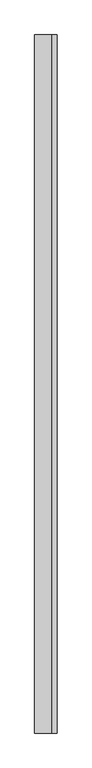
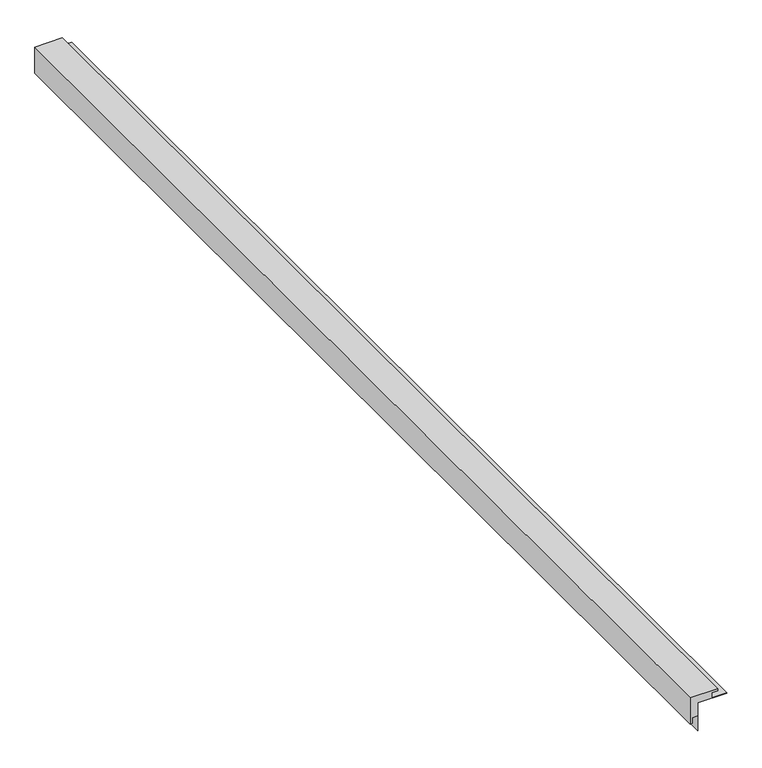
"""IFC4 building model written with IfcOpenShell, lengths in millimetres: proxy geometry."""

from ifc_helpers import new_model, si_unit, frame, origin, place, context, project, spatial, polyline, outline, extrude, source, transform, mapped, element, save


def generic_models_f4d182bd(model_context):
    return source(origin(), model_context, "Body", "SweptSolid", [
        extrude(outline(polyline([(1.2053492, 44.45), (19.05, 44.45), (19.05, 63.5), (25.4, 63.5), (25.4, -25.4), (-63.5, -25.4), (-63.5, -19.05), (-44.45, -19.05), (-44.45, -1.2310293), (-94.2620351, -1.2310293), (-94.2620351, 0.0), (0.0, 0.0), (0.0, 92.7337341), (1.2053492, 92.7337341), (1.2053492, 44.45)])), frame((0.0, -3657.6, 0.0), z_axis=(0.0, 1.0, 0.0), x_axis=(0.0, 0.0, 1.0)), (0.0, 0.0, 1.0), 3657.6),
    ])


if __name__ == "__main__":
    model = new_model("IFC4")
    model_context = context("Model", 3, world=origin())
    ifc_project = project(units=[si_unit("LENGTHUNIT", "METRE", prefix="MILLI")], contexts=[model_context])
    site = spatial("IfcSite", under=ifc_project)
    building = spatial("IfcBuilding", under=site)
    placement = place(None, origin())
    generic_models_shape = generic_models_f4d182bd(model_context)
    element("IfcBuildingElementProxy", 1, Name="Generic Models", at=placement, inside=building, context=model_context, shape_type="MappedRepresentation", body=[
        mapped(generic_models_shape, transform((0.0, 0.0, 0.0), x_axis=(1.0, 0.0, 0.0), y_axis=(0.0, 1.0, 0.0), z_axis=(0.0, 0.0, 1.0))),
    ])
    save(model, "model.ifc")
